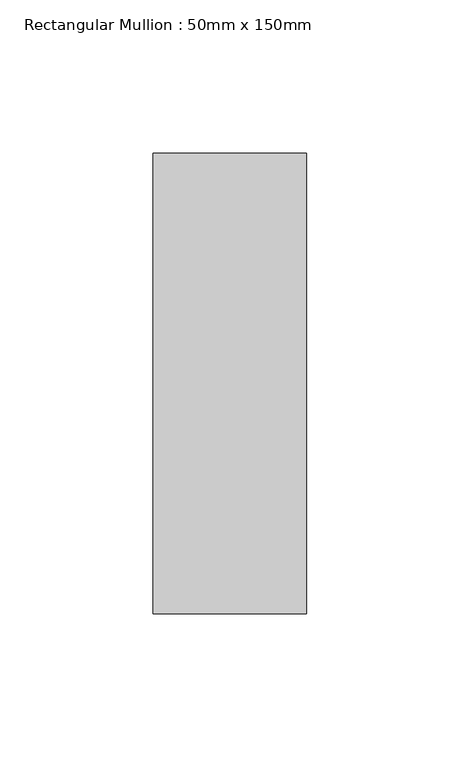
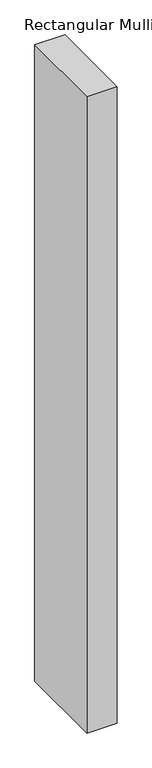
"""IFC4 building model written with IfcOpenShell, lengths in millimetres: member geometry, Rectangular Mullion : 50mm x 150mm."""

from ifc_helpers import new_model, si_unit, frame, origin, place, context, project, spatial, polyline, outline, extrude, source, transform, mapped, element, save


def rectangular_mullion_50mm_x_150mm_fb878dc5(model_context):
    return source(origin(), model_context, "Body", "SweptSolid", [
        extrude(outline(polyline([(25.0, 75.0), (25.0, -75.0), (-25.0, -75.0), (-25.0, 75.0), (25.0, 75.0)])), frame((0.0, 0.0, -1112.5000002), z_axis=(0.0, 0.0, 1.0), x_axis=(1.0, 0.0, 0.0)), (0.0, 0.0, 1.0), 1112.5000002),
    ])


if __name__ == "__main__":
    model = new_model("IFC4")
    model_context = context("Model", 3, world=origin())
    ifc_project = project(units=[si_unit("LENGTHUNIT", "METRE", prefix="MILLI")], contexts=[model_context])
    site = spatial("IfcSite", under=ifc_project)
    building = spatial("IfcBuilding", under=site)
    placement = place(None, origin())
    rectangular_mullion_50mm_x_150mm_shape = rectangular_mullion_50mm_x_150mm_fb878dc5(model_context)
    element("IfcMember", 1, ObjectType="Rectangular Mullion : 50mm x 150mm", at=placement, inside=building, context=model_context, shape_type="MappedRepresentation", body=[
        mapped(rectangular_mullion_50mm_x_150mm_shape, transform((0.0, 0.0, 0.0), x_axis=(1.0, 0.0, 0.0), y_axis=(0.0, 1.0, 0.0), z_axis=(0.0, 0.0, 1.0))),
    ])
    save(model, "model.ifc")
